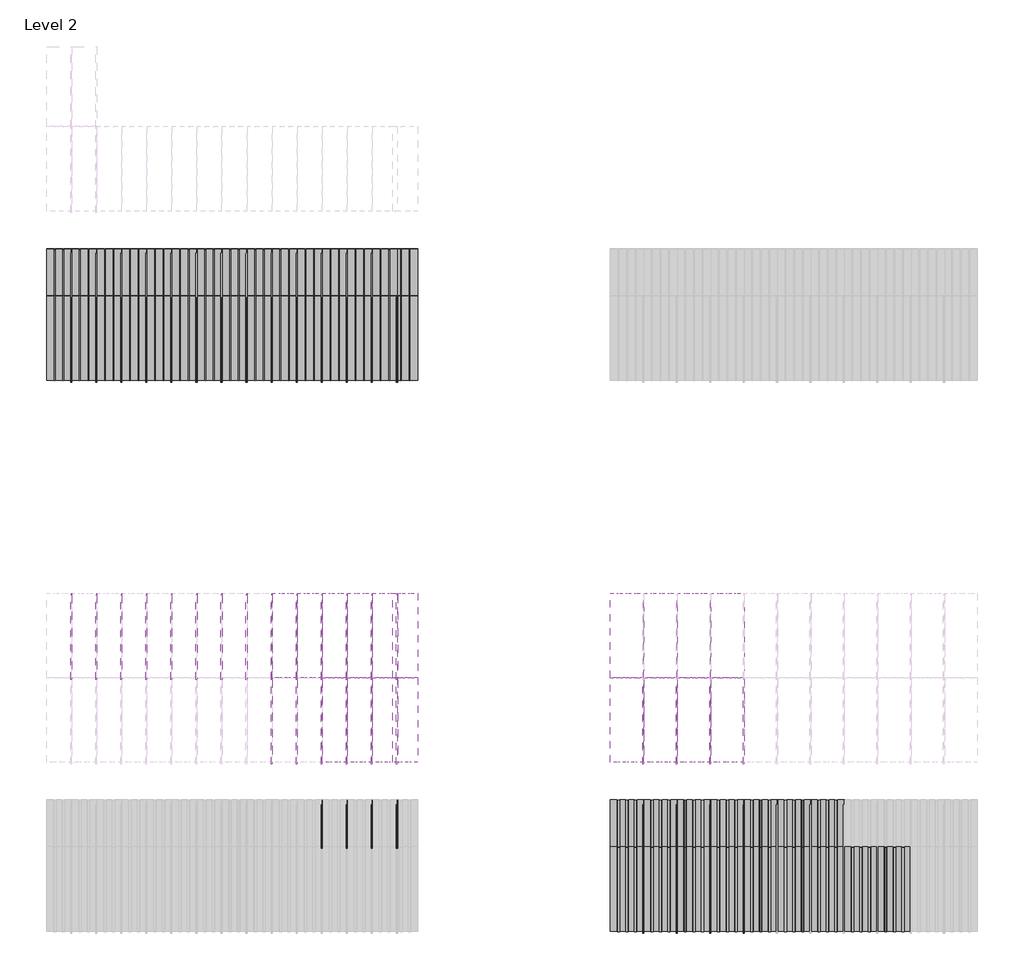
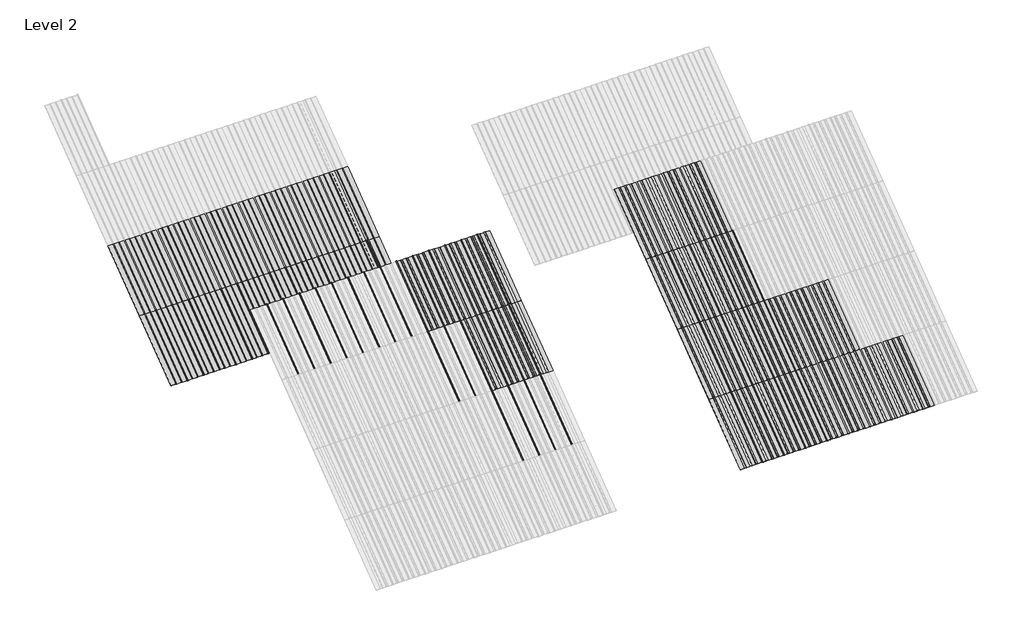
# One storey, part 44 of 177: 64 plates, 50 members.
"""IFC4 building model written with IfcOpenShell, lengths in millimetres."""

import ifcopenshell
import ifcopenshell.guid

model = None  # the IFC model being written
_history = None  # IfcOwnerHistory: only IFC2X3 demands one
_inside = {}  # id of a spatial element -> (the spatial element, [elements in it])
_under = {}  # id of a project, library or spatial element -> (it, [spatial elements below it])
_declared = {}  # id of a project -> (the project, [libraries it declares])
_typed = {}  # id of a type object -> (the type object, [elements of that type])
_made_of = {}  # id of a material, layer set ... -> (it, [elements and type objects made of it])


def new_model(schema):
    """Start an empty IFC model of exactly this schema.

    Asked for "IFC4X3", IfcOpenShell would pick the latest addendum, in which some entities
    have other attributes; the version numbers below select the first issue.
    IFC2X3 requires an IfcOwnerHistory on every rooted entity: one is made here for all.
    """
    global model, _history
    if schema == "IFC4X3":
        model = ifcopenshell.file(schema_version=(4, 3, 0, 0))
    else:
        model = ifcopenshell.file(schema=schema)
    _inside.clear()
    _under.clear()
    _declared.clear()
    _typed.clear()
    _made_of.clear()
    _history = None
    if model.schema == "IFC2X3":
        org = make("IfcOrganization", Name="unknown")
        user = make(
            "IfcPersonAndOrganization",
            ThePerson=make("IfcPerson", FamilyName="unknown"),
            TheOrganization=org,
        )
        app = make(
            "IfcApplication",
            ApplicationDeveloper=org,
            Version="unknown",
            ApplicationFullName="unknown",
            ApplicationIdentifier="unknown",
        )
        _history = make(
            "IfcOwnerHistory",
            OwningUser=user,
            OwningApplication=app,
            ChangeAction="ADDED",
            CreationDate=0,
        )
    return model


def make(cls, **values):
    """One entity of the class cls with the attributes given. An attribute that is None is left unset."""
    return model.create_entity(
        cls, **{name: value for name, value in values.items() if value is not None}
    )


def rooted(cls, **values):
    """An entity with a GlobalId (a new one), such as an element, a storey or a relation."""
    return make(cls, GlobalId=ifcopenshell.guid.new(), OwnerHistory=_history, **values)


def si_unit(unit_type, name, prefix=None):
    """IfcSIUnit, for example si_unit("LENGTHUNIT", "METRE", prefix="MILLI")."""
    return make("IfcSIUnit", UnitType=unit_type, Prefix=prefix, Name=name)


def assignment(units):
    """IfcUnitAssignment: the units of a project."""
    return None if units is None else make("IfcUnitAssignment", Units=units)


def point(xyz):
    """IfcCartesianPoint."""
    return None if xyz is None else make("IfcCartesianPoint", Coordinates=xyz)


def direction(xyz):
    """IfcDirection."""
    return None if xyz is None else make("IfcDirection", DirectionRatios=xyz)


def frame(location, z_axis=None, x_axis=None):
    """IfcAxis2Placement3D, a coordinate frame: its origin and axes. An axis left out is left unset."""
    return make(
        "IfcAxis2Placement3D",
        Location=point(location),
        Axis=direction(z_axis),
        RefDirection=direction(x_axis),
    )


def frame_2d(location, x_axis=None):
    """IfcAxis2Placement2D, a coordinate frame in the plane: its origin and x axis."""
    return make(
        "IfcAxis2Placement2D", Location=point(location), RefDirection=direction(x_axis)
    )


def origin():
    """The frame at (0, 0, 0) with its axes left unset."""
    return frame((0.0, 0.0, 0.0))


def origin_with_axes():
    """The frame at (0, 0, 0) with the z axis (0, 0, 1) and the x axis (1, 0, 0) written out."""
    return frame((0.0, 0.0, 0.0), z_axis=(0.0, 0.0, 1.0), x_axis=(1.0, 0.0, 0.0))


def place(relative_to, where):
    """IfcLocalPlacement: puts the frame where relative to a parent placement (None: the world)."""
    return make(
        "IfcLocalPlacement", PlacementRelTo=relative_to, RelativePlacement=where
    )


def context(
    kind, dimensions, precision=None, world=None, true_north=None, identifier=None
):
    """IfcGeometricRepresentationContext, for example the 3D "Model" context."""
    return make(
        "IfcGeometricRepresentationContext",
        ContextIdentifier=identifier,
        ContextType=kind,
        CoordinateSpaceDimension=dimensions,
        Precision=precision,
        WorldCoordinateSystem=world,
        TrueNorth=true_north,
    )


def project(units=None, contexts=None):
    """IfcProject with its units and contexts."""
    return rooted(
        "IfcProject",
        Name="project",
        RepresentationContexts=contexts,
        UnitsInContext=assignment(units),
    )


def spatial(cls, under=None, at=None, **own):
    """A site, building, storey or space (cls), placed at a placement, below another one or the project."""
    s = rooted(cls, ObjectPlacement=at, **own)
    if under is not None:
        _under.setdefault(under.id(), (under, []))[1].append(s)
    return s


def polyline(points):
    """IfcPolyline through the points."""
    return make("IfcPolyline", Points=[point(p) for p in points])


def circle_curve(where, radius):
    """IfcCircle in the frame where."""
    return make("IfcCircle", Position=where, Radius=radius)


def trimmed(basis, trim1, trim2, sense, master):
    """IfcTrimmedCurve: the piece of a basis curve between two trims."""
    return make(
        "IfcTrimmedCurve",
        BasisCurve=basis,
        Trim1=trim1,
        Trim2=trim2,
        SenseAgreement=sense,
        MasterRepresentation=master,
    )


def segment(curve, same_sense, transition):
    """IfcCompositeCurveSegment."""
    return make(
        "IfcCompositeCurveSegment",
        Transition=transition,
        SameSense=same_sense,
        ParentCurve=curve,
    )


def composite_curve(segments, self_intersect=None):
    """IfcCompositeCurve: segments joined end to end."""
    return make("IfcCompositeCurve", Segments=segments, SelfIntersect=self_intersect)


def outline(outer, holes=None, kind="AREA"):
    """IfcArbitraryClosedProfileDef: a profile drawn as a closed curve; with holes, ...WithVoids."""
    if holes is None:
        return make("IfcArbitraryClosedProfileDef", ProfileType=kind, OuterCurve=outer)
    return make(
        "IfcArbitraryProfileDefWithVoids",
        ProfileType=kind,
        OuterCurve=outer,
        InnerCurves=holes,
    )


def extrude(swept, where, along, depth):
    """IfcExtrudedAreaSolid: the profile swept, set in the frame where, extruded along a direction by depth."""
    return make(
        "IfcExtrudedAreaSolid",
        SweptArea=swept,
        Position=where,
        ExtrudedDirection=direction(along),
        Depth=depth,
    )


def shape(context_of_items, identifier, shape_type, items):
    """IfcShapeRepresentation: the items that make up one representation, for example the "Body"."""
    return make(
        "IfcShapeRepresentation",
        ContextOfItems=context_of_items,
        RepresentationIdentifier=identifier,
        RepresentationType=shape_type,
        Items=items,
    )


def source(mapping_origin, context_of_items, identifier, shape_type, items):
    """IfcRepresentationMap: a shape defined once, which mapped items show again and again."""
    return make(
        "IfcRepresentationMap",
        MappingOrigin=mapping_origin,
        MappedRepresentation=shape(context_of_items, identifier, shape_type, items),
    )


def transform(
    local_origin,
    x_axis=None,
    y_axis=None,
    z_axis=None,
    scale=None,
    scale2=None,
    scale3=None,
    uniform=True,
):
    """IfcCartesianTransformationOperator3D, or its non-uniform kind. x_axis, y_axis, z_axis: its Axis1, 2, 3."""
    if uniform:
        return make(
            "IfcCartesianTransformationOperator3D",
            Axis1=direction(x_axis),
            Axis2=direction(y_axis),
            LocalOrigin=point(local_origin),
            Scale=scale,
            Axis3=direction(z_axis),
        )
    return make(
        "IfcCartesianTransformationOperator3DnonUniform",
        Axis1=direction(x_axis),
        Axis2=direction(y_axis),
        LocalOrigin=point(local_origin),
        Scale=scale,
        Axis3=direction(z_axis),
        Scale2=scale2,
        Scale3=scale3,
    )


def mapped(mapping_source, mapping_target):
    """IfcMappedItem: shows the shape of a source again, moved by a transform."""
    return make(
        "IfcMappedItem", MappingSource=mapping_source, MappingTarget=mapping_target
    )


def made_of(thing, what):
    """Note that an element or type object is made of a material, layer set ...; save() writes the relation."""
    if what is not None:
        _made_of.setdefault(what.id(), (what, []))[1].append(thing)
    return thing


def element(
    cls,
    number,
    at=None,
    inside=None,
    cuts=None,
    type_object=None,
    material=None,
    context=None,
    identifier="Body",
    shape_type=None,
    held_by="IfcProductDefinitionShape",
    body=None,
    shapes=None,
    **own,
):
    """One element of the class cls, such as IfcWall. Its Tag is "e" and its number.

    at: its placement. inside: the storey or other place that contains it. cuts: it is an
    opening in that element (IfcRelVoidsElement). A single representation is given by context,
    identifier, shape_type and body (its items); several are given by shapes. held_by: the class
    of the entity that holds the representations. save() writes the other relations.
    """
    e = rooted(cls, Tag="e%d" % number, ObjectPlacement=at, **own)
    if body is not None:
        shapes = [shape(context, identifier, shape_type, body)]
    if shapes is not None:
        e.Representation = make(held_by, Representations=shapes)
    if inside is not None:
        _inside.setdefault(inside.id(), (inside, []))[1].append(e)
    if cuts is not None:
        rooted(
            "IfcRelVoidsElement", RelatingBuildingElement=cuts, RelatedOpeningElement=e
        )
    if type_object is not None:
        _typed.setdefault(type_object.id(), (type_object, []))[1].append(e)
    return made_of(e, material)


def aggregate(whole, parts):
    """IfcRelAggregates: a whole, such as a stair, and the parts it consists of."""
    return rooted("IfcRelAggregates", RelatingObject=whole, RelatedObjects=parts)


def save(model, path):
    """Write the relations noted so far, then the file.

    IfcRelAggregates (storeys below a building ...), IfcRelContainedInSpatialStructure (elements
    in a storey), IfcRelDefinesByType, IfcRelAssociatesMaterial and IfcRelDeclares: one each for
    every whole, place, type object, material and project.
    """
    for whole, parts in _under.values():
        aggregate(whole, parts)
    for where, things in _inside.values():
        rooted(
            "IfcRelContainedInSpatialStructure",
            RelatedElements=things,
            RelatingStructure=where,
        )
    for kind, things in _typed.values():
        rooted("IfcRelDefinesByType", RelatedObjects=things, RelatingType=kind)
    for what, things in _made_of.values():
        rooted("IfcRelAssociatesMaterial", RelatedObjects=things, RelatingMaterial=what)
    for by, libraries in _declared.values():
        rooted("IfcRelDeclares", RelatingContext=by, RelatedDefinitions=libraries)
    model.write(path)


def rectangular_mullion_59d29c64(model_context):
    return source(origin(), model_context, "Body", "SweptSolid", [
        extrude(outline(composite_curve([segment(polyline([(-1.651, -33.918525), (-1.651, 0.396875), (1.778, 0.396875), (1.778, -36.458525)]), True, "CONTINUOUS"), segment(trimmed(circle_curve(frame_2d((-0.762, -36.458525)), 2.54), [point((1.778, -36.458525))], [point((-0.762, -38.998525))], False, "CARTESIAN"), True, "CONTINUOUS"), segment(polyline([(-0.762, -38.998525), (-10.16, -38.998525)]), True, "CONTINUOUS"), segment(trimmed(circle_curve(frame_2d((-10.16, -36.458525)), 2.54), [point((-10.16, -38.998525))], [point((-10.16, -33.918525))], False, "CARTESIAN"), True, "CONTINUOUS"), segment(polyline([(-10.16, -33.918525), (-1.651, -33.918525)]), True, "CONTINUOUS")], self_intersect=False)), frame((0.0, 0.0, -1285.875), z_axis=(0.0, 0.0, 1.0), x_axis=(1.0, 0.0, 0.0)), (0.0, 0.0, 1.0), 1285.875),
    ])


def plate_0_032_aluminium_1d77b2c9(model_context):
    return source(origin(), model_context, "Body", "SweptSolid", [
        extrude(outline(polyline([(-70.35546, 0.8128), (-66.80708, -2.73558), (-37.26688, -2.73558), (-33.7185, 0.8128), (33.7185, 0.8128), (37.26688, -2.73558), (66.80708, -2.73558), (70.35546, 0.8128), (152.4, 0.8128), (152.4, 0.0), (70.419167, 0.0), (66.870787, -3.54838), (37.203173, -3.54838), (33.654793, 0.0), (-33.654793, 0.0), (-37.203173, -3.54838), (-66.870787, -3.54838), (-70.419167, 0.0), (-152.4, 0.0), (-152.4, 0.8128), (-70.35546, 0.8128)])), origin_with_axes(), (0.0, 0.0, 1.0), 1285.875),
    ])


def plate_0_032_aluminium_91d3225e(model_context):
    return source(origin(), model_context, "Body", "SweptSolid", [
        extrude(outline(polyline([(-123.9800294, 0.8128), (-120.4316494, -2.73558), (-90.8914494, -2.73558), (-87.3430694, 0.8128), (-18.31848, 0.8128), (-14.7701, -2.73558), (14.7701, -2.73558), (18.31848, 0.8128), (85.75548, 0.8128), (89.30386, -2.73558), (118.84406, -2.73558), (122.39244, 0.8128), (203.2, 0.8128), (203.2, 0.0), (122.456147, 0.0), (118.907767, -3.54838), (89.240153, -3.54838), (85.691773, 0.0), (18.382187, 0.0), (14.833807, -3.54838), (-14.833807, -3.54838), (-18.382187, 0.0), (-87.2793624, 0.0), (-90.8277424, -3.54838), (-120.4953564, -3.54838), (-124.0437364, 0.0), (-203.2, 0.0), (-203.2, 0.8128), (-123.9800294, 0.8128)])), origin_with_axes(), (0.0, 0.0, 1.0), 1285.875),
    ])


def plate_0_032_aluminium_90081244(model_context):
    return source(origin(), model_context, "Body", "SweptSolid", [
        extrude(outline(composite_curve([segment(polyline([(-57.57418, 0.8128), (-57.57418, 0.0)]), True, "CONTINUOUS"), segment(trimmed(circle_curve(frame_2d((-52.03698, 0.0)), 5.5372), [point((-57.57418, 0.0))], [point((-46.49978, 0.0))], True, "CARTESIAN"), True, "CONTINUOUS"), segment(polyline([(-46.49978, 0.0), (-46.49978, 0.8128), (46.49978, 0.8128), (46.49978, 0.0)]), True, "CONTINUOUS"), segment(trimmed(circle_curve(frame_2d((52.03698, 0.0)), 5.5372), [point((46.49978, 0.0))], [point((57.57418, 0.0))], True, "CARTESIAN"), True, "CONTINUOUS"), segment(polyline([(57.57418, 0.0), (57.57418, 0.8128), (152.4, 0.8128), (152.4, 0.0), (58.38698, 0.0)]), True, "CONTINUOUS"), segment(trimmed(circle_curve(frame_2d((52.03698, 0.0)), 6.35), [point((58.38698, 0.0))], [point((45.68698, 0.0))], False, "CARTESIAN"), True, "CONTINUOUS"), segment(polyline([(45.68698, 0.0), (-45.68698, 0.0)]), True, "CONTINUOUS"), segment(trimmed(circle_curve(frame_2d((-52.03698, 0.0)), 6.35), [point((-45.68698, 0.0))], [point((-58.38698, 0.0))], False, "CARTESIAN"), True, "CONTINUOUS"), segment(polyline([(-58.38698, 0.0), (-152.4, 0.0), (-152.4, 0.8128), (-57.57418, 0.8128)]), True, "CONTINUOUS")], self_intersect=False)), origin_with_axes(), (0.0, 0.0, 1.0), 1285.875),
    ])


model = new_model("IFC4")

# Units and contexts
model_context = context("Model", 3, world=origin())
ifc_project = project(units=[si_unit("LENGTHUNIT", "METRE", prefix="MILLI")], contexts=[model_context])

# Site, building, storey
site = spatial("IfcSite", under=ifc_project)
building = spatial("IfcBuilding", under=site)
storey = spatial("IfcBuildingStorey", under=building, Name="Level 2", Elevation=3048.0)

# Members
placement = place(None, origin())
rectangular_mullion_shape = rectangular_mullion_59d29c64(model_context)
element("IfcMember", 1, ObjectType="Rectangular Mullion", at=placement, inside=storey, context=model_context, shape_type="MappedRepresentation", body=[
    mapped(rectangular_mullion_shape, transform((131647.2738425, 52374.2083739, 6134.1), x_axis=(1.0, 0.0, 0.0), y_axis=(0.0, 0.5999999999999946, -0.800000000000004), z_axis=(0.0, 0.800000000000004, 0.5999999999999946))),
])
element("IfcMember", 2, ObjectType="Rectangular Mullion", at=placement, inside=storey, context=model_context, shape_type="MappedRepresentation", body=[
    mapped(rectangular_mullion_shape, transform((131952.0738425, 52374.2083739, 6134.1), x_axis=(1.0, 0.0, 0.0), y_axis=(0.0, 0.5999999999999946, -0.800000000000004), z_axis=(0.0, 0.800000000000004, 0.5999999999999946))),
])
element("IfcMember", 3, ObjectType="Rectangular Mullion", at=placement, inside=storey, context=model_context, shape_type="MappedRepresentation", body=[
    mapped(rectangular_mullion_shape, transform((132256.8738425, 52374.2083739, 6134.1), x_axis=(1.0, 0.0, 0.0), y_axis=(0.0, 0.5999999999999946, -0.800000000000004), z_axis=(0.0, 0.800000000000004, 0.5999999999999946))),
])
element("IfcMember", 4, ObjectType="Rectangular Mullion", at=placement, inside=storey, context=model_context, shape_type="MappedRepresentation", body=[
    mapped(rectangular_mullion_shape, transform((132561.6738425, 52374.2083739, 6134.1), x_axis=(1.0, 0.0, 0.0), y_axis=(0.0, 0.5999999999999946, -0.800000000000004), z_axis=(0.0, 0.800000000000004, 0.5999999999999946))),
])
element("IfcMember", 5, ObjectType="Rectangular Mullion", at=placement, inside=storey, context=model_context, shape_type="MappedRepresentation", body=[
    mapped(rectangular_mullion_shape, transform((132866.4738425, 52374.2083739, 6134.1), x_axis=(1.0, 0.0, 0.0), y_axis=(0.0, 0.5999999999999946, -0.800000000000004), z_axis=(0.0, 0.800000000000004, 0.5999999999999946))),
])
element("IfcMember", 6, ObjectType="Rectangular Mullion", at=placement, inside=storey, context=model_context, shape_type="MappedRepresentation", body=[
    mapped(rectangular_mullion_shape, transform((133171.2738425, 52374.2083739, 6134.1), x_axis=(1.0, 0.0, 0.0), y_axis=(0.0, 0.5999999999999946, -0.800000000000004), z_axis=(0.0, 0.800000000000004, 0.5999999999999946))),
])
element("IfcMember", 7, ObjectType="Rectangular Mullion", at=placement, inside=storey, context=model_context, shape_type="MappedRepresentation", body=[
    mapped(rectangular_mullion_shape, transform((133476.0738425, 52374.2083739, 6134.1), x_axis=(1.0, 0.0, 0.0), y_axis=(0.0, 0.5999999999999946, -0.800000000000004), z_axis=(0.0, 0.800000000000004, 0.5999999999999946))),
])
element("IfcMember", 8, ObjectType="Rectangular Mullion", at=placement, inside=storey, context=model_context, shape_type="MappedRepresentation", body=[
    mapped(rectangular_mullion_shape, transform((133780.8738425, 52374.2083739, 6134.1), x_axis=(1.0, 0.0, 0.0), y_axis=(0.0, 0.5999999999999946, -0.800000000000004), z_axis=(0.0, 0.800000000000004, 0.5999999999999946))),
])
element("IfcMember", 9, ObjectType="Rectangular Mullion", at=placement, inside=storey, context=model_context, shape_type="MappedRepresentation", body=[
    mapped(rectangular_mullion_shape, transform((134085.6738425, 52374.2083739, 6134.1), x_axis=(1.0, 0.0, 0.0), y_axis=(0.0, 0.5999999999999946, -0.800000000000004), z_axis=(0.0, 0.800000000000004, 0.5999999999999946))),
])
element("IfcMember", 10, ObjectType="Rectangular Mullion", at=placement, inside=storey, context=model_context, shape_type="MappedRepresentation", body=[
    mapped(rectangular_mullion_shape, transform((134390.4738425, 52374.2083739, 6134.1), x_axis=(1.0, 0.0, 0.0), y_axis=(0.0, 0.5999999999999946, -0.800000000000004), z_axis=(0.0, 0.800000000000004, 0.5999999999999946))),
])
element("IfcMember", 11, ObjectType="Rectangular Mullion", at=placement, inside=storey, context=model_context, shape_type="MappedRepresentation", body=[
    mapped(rectangular_mullion_shape, transform((134695.2738425, 52374.2083739, 6134.1), x_axis=(1.0, 0.0, 0.0), y_axis=(0.0, 0.5999999999999946, -0.800000000000004), z_axis=(0.0, 0.800000000000004, 0.5999999999999946))),
])
element("IfcMember", 12, ObjectType="Rectangular Mullion", at=placement, inside=storey, context=model_context, shape_type="MappedRepresentation", body=[
    mapped(rectangular_mullion_shape, transform((135000.0738425, 52374.2083739, 6134.1), x_axis=(1.0, 0.0, 0.0), y_axis=(0.0, 0.5999999999999946, -0.800000000000004), z_axis=(0.0, 0.800000000000004, 0.5999999999999946))),
])
element("IfcMember", 13, ObjectType="Rectangular Mullion", at=placement, inside=storey, context=model_context, shape_type="MappedRepresentation", body=[
    mapped(rectangular_mullion_shape, transform((135304.8738425, 52374.2083739, 6134.1), x_axis=(1.0, 0.0, 0.0), y_axis=(0.0, 0.5999999999999946, -0.800000000000004), z_axis=(0.0, 0.800000000000004, 0.5999999999999946))),
])
element("IfcMember", 14, ObjectType="Rectangular Mullion", at=placement, inside=storey, context=model_context, shape_type="MappedRepresentation", body=[
    mapped(rectangular_mullion_shape, transform((135609.6738425, 52374.2083739, 6134.1), x_axis=(1.0, 0.0, 0.0), y_axis=(0.0, 0.5999999999999946, -0.800000000000004), z_axis=(0.0, 0.800000000000004, 0.5999999999999946))),
])
element("IfcMember", 15, ObjectType="Rectangular Mullion", at=placement, inside=storey, context=model_context, shape_type="MappedRepresentation", body=[
    mapped(rectangular_mullion_shape, transform((138606.8738425, 49288.1083739, 3819.525), x_axis=(1.0, 0.0, 0.0), y_axis=(0.0, 0.5999999999999939, -0.8000000000000047), z_axis=(0.0, 0.8000000000000047, 0.5999999999999939))),
])
element("IfcMember", 16, ObjectType="Rectangular Mullion", at=placement, inside=storey, context=model_context, shape_type="MappedRepresentation", body=[
    mapped(rectangular_mullion_shape, transform((139013.2738425, 49288.1083739, 3819.525), x_axis=(1.0, 0.0, 0.0), y_axis=(0.0, 0.5999999999999939, -0.8000000000000047), z_axis=(0.0, 0.8000000000000047, 0.5999999999999939))),
])
element("IfcMember", 17, ObjectType="Rectangular Mullion", at=placement, inside=storey, context=model_context, shape_type="MappedRepresentation", body=[
    mapped(rectangular_mullion_shape, transform((139419.6738425, 49288.1083739, 3819.525), x_axis=(1.0, 0.0, 0.0), y_axis=(0.0, 0.5999999999999939, -0.8000000000000047), z_axis=(0.0, 0.8000000000000047, 0.5999999999999939))),
])
element("IfcMember", 18, ObjectType="Rectangular Mullion", at=placement, inside=storey, context=model_context, shape_type="MappedRepresentation", body=[
    mapped(rectangular_mullion_shape, transform((139826.0738425, 49288.1083739, 3819.525), x_axis=(1.0, 0.0, 0.0), y_axis=(0.0, 0.5999999999999939, -0.8000000000000047), z_axis=(0.0, 0.8000000000000047, 0.5999999999999939))),
])
element("IfcMember", 19, ObjectType="Rectangular Mullion", at=placement, inside=storey, context=model_context, shape_type="MappedRepresentation", body=[
    mapped(rectangular_mullion_shape, transform((131647.2738425, 55993.2321239, 3819.525), x_axis=(1.0, 0.0, 0.0), y_axis=(0.0, 0.5999999999999939, -0.8000000000000047), z_axis=(0.0, 0.8000000000000047, 0.5999999999999939))),
])
element("IfcMember", 20, ObjectType="Rectangular Mullion", at=placement, inside=storey, context=model_context, shape_type="MappedRepresentation", body=[
    mapped(rectangular_mullion_shape, transform((131952.0738425, 55993.2321239, 3819.525), x_axis=(1.0, 0.0, 0.0), y_axis=(0.0, 0.5999999999999939, -0.8000000000000047), z_axis=(0.0, 0.8000000000000047, 0.5999999999999939))),
])
element("IfcMember", 21, ObjectType="Rectangular Mullion", at=placement, inside=storey, context=model_context, shape_type="MappedRepresentation", body=[
    mapped(rectangular_mullion_shape, transform((132256.8738425, 55993.2321239, 3819.525), x_axis=(1.0, 0.0, 0.0), y_axis=(0.0, 0.5999999999999939, -0.8000000000000047), z_axis=(0.0, 0.8000000000000047, 0.5999999999999939))),
])
element("IfcMember", 22, ObjectType="Rectangular Mullion", at=placement, inside=storey, context=model_context, shape_type="MappedRepresentation", body=[
    mapped(rectangular_mullion_shape, transform((132561.6738425, 55993.2321239, 3819.525), x_axis=(1.0, 0.0, 0.0), y_axis=(0.0, 0.5999999999999939, -0.8000000000000047), z_axis=(0.0, 0.8000000000000047, 0.5999999999999939))),
])
element("IfcMember", 23, ObjectType="Rectangular Mullion", at=placement, inside=storey, context=model_context, shape_type="MappedRepresentation", body=[
    mapped(rectangular_mullion_shape, transform((132866.4738425, 55993.2321239, 3819.525), x_axis=(1.0, 0.0, 0.0), y_axis=(0.0, 0.5999999999999939, -0.8000000000000047), z_axis=(0.0, 0.8000000000000047, 0.5999999999999939))),
])
element("IfcMember", 24, ObjectType="Rectangular Mullion", at=placement, inside=storey, context=model_context, shape_type="MappedRepresentation", body=[
    mapped(rectangular_mullion_shape, transform((133171.2738425, 55993.2321239, 3819.525), x_axis=(1.0, 0.0, 0.0), y_axis=(0.0, 0.5999999999999939, -0.8000000000000047), z_axis=(0.0, 0.8000000000000047, 0.5999999999999939))),
])
element("IfcMember", 25, ObjectType="Rectangular Mullion", at=placement, inside=storey, context=model_context, shape_type="MappedRepresentation", body=[
    mapped(rectangular_mullion_shape, transform((133476.0738425, 55993.2321239, 3819.525), x_axis=(1.0, 0.0, 0.0), y_axis=(0.0, 0.5999999999999939, -0.8000000000000047), z_axis=(0.0, 0.8000000000000047, 0.5999999999999939))),
])
element("IfcMember", 26, ObjectType="Rectangular Mullion", at=placement, inside=storey, context=model_context, shape_type="MappedRepresentation", body=[
    mapped(rectangular_mullion_shape, transform((133780.8738425, 55993.2321239, 3819.525), x_axis=(1.0, 0.0, 0.0), y_axis=(0.0, 0.5999999999999939, -0.8000000000000047), z_axis=(0.0, 0.8000000000000047, 0.5999999999999939))),
])
element("IfcMember", 27, ObjectType="Rectangular Mullion", at=placement, inside=storey, context=model_context, shape_type="MappedRepresentation", body=[
    mapped(rectangular_mullion_shape, transform((134085.6738425, 55993.2321239, 3819.525), x_axis=(1.0, 0.0, 0.0), y_axis=(0.0, 0.5999999999999939, -0.8000000000000047), z_axis=(0.0, 0.8000000000000047, 0.5999999999999939))),
])
element("IfcMember", 28, ObjectType="Rectangular Mullion", at=placement, inside=storey, context=model_context, shape_type="MappedRepresentation", body=[
    mapped(rectangular_mullion_shape, transform((134390.4738425, 55993.2321239, 3819.525), x_axis=(1.0, 0.0, 0.0), y_axis=(0.0, 0.5999999999999939, -0.8000000000000047), z_axis=(0.0, 0.8000000000000047, 0.5999999999999939))),
])
element("IfcMember", 29, ObjectType="Rectangular Mullion", at=placement, inside=storey, context=model_context, shape_type="MappedRepresentation", body=[
    mapped(rectangular_mullion_shape, transform((134695.2738425, 55993.2321239, 3819.525), x_axis=(1.0, 0.0, 0.0), y_axis=(0.0, 0.5999999999999939, -0.8000000000000047), z_axis=(0.0, 0.8000000000000047, 0.5999999999999939))),
])
element("IfcMember", 30, ObjectType="Rectangular Mullion", at=placement, inside=storey, context=model_context, shape_type="MappedRepresentation", body=[
    mapped(rectangular_mullion_shape, transform((135000.0738425, 55993.2321239, 3819.525), x_axis=(1.0, 0.0, 0.0), y_axis=(0.0, 0.5999999999999939, -0.8000000000000047), z_axis=(0.0, 0.8000000000000047, 0.5999999999999939))),
])
element("IfcMember", 31, ObjectType="Rectangular Mullion", at=placement, inside=storey, context=model_context, shape_type="MappedRepresentation", body=[
    mapped(rectangular_mullion_shape, transform((135304.8738425, 55993.2321239, 3819.525), x_axis=(1.0, 0.0, 0.0), y_axis=(0.0, 0.5999999999999939, -0.8000000000000047), z_axis=(0.0, 0.8000000000000047, 0.5999999999999939))),
])
element("IfcMember", 32, ObjectType="Rectangular Mullion", at=placement, inside=storey, context=model_context, shape_type="MappedRepresentation", body=[
    mapped(rectangular_mullion_shape, transform((135609.6738425, 55993.2321239, 3819.525), x_axis=(1.0, 0.0, 0.0), y_axis=(0.0, 0.5999999999999939, -0.8000000000000047), z_axis=(0.0, 0.8000000000000047, 0.5999999999999939))),
])
element("IfcMember", 33, ObjectType="Rectangular Mullion", at=placement, inside=storey, context=model_context, shape_type="MappedRepresentation", body=[
    mapped(rectangular_mullion_shape, transform((134085.6738425, 51345.5083739, 5362.575), x_axis=(1.0, 0.0, 0.0), y_axis=(0.0, 0.5999999999999941, -0.8000000000000045), z_axis=(0.0, 0.8000000000000044, 0.599999999999994))),
])
element("IfcMember", 34, ObjectType="Rectangular Mullion", at=placement, inside=storey, context=model_context, shape_type="MappedRepresentation", body=[
    mapped(rectangular_mullion_shape, transform((134390.4738425, 51345.5083739, 5362.575), x_axis=(1.0, 0.0, 0.0), y_axis=(0.0, 0.5999999999999941, -0.8000000000000045), z_axis=(0.0, 0.8000000000000044, 0.599999999999994))),
])
element("IfcMember", 35, ObjectType="Rectangular Mullion", at=placement, inside=storey, context=model_context, shape_type="MappedRepresentation", body=[
    mapped(rectangular_mullion_shape, transform((138606.8738425, 50316.8083739, 4591.05), x_axis=(1.0, 0.0, 0.0), y_axis=(0.0, 0.5999999999999952, -0.8000000000000037), z_axis=(0.0, 0.8000000000000037, 0.5999999999999952))),
])
element("IfcMember", 36, ObjectType="Rectangular Mullion", at=placement, inside=storey, context=model_context, shape_type="MappedRepresentation", body=[
    mapped(rectangular_mullion_shape, transform((139013.2738425, 50316.8083739, 4591.05), x_axis=(1.0, 0.0, 0.0), y_axis=(0.0, 0.5999999999999952, -0.8000000000000037), z_axis=(0.0, 0.8000000000000037, 0.5999999999999952))),
])
element("IfcMember", 37, ObjectType="Rectangular Mullion", at=placement, inside=storey, context=model_context, shape_type="MappedRepresentation", body=[
    mapped(rectangular_mullion_shape, transform((138606.8738425, 51345.5083739, 5362.575), x_axis=(1.0, 0.0, 0.0), y_axis=(0.0, 0.5999999999999941, -0.8000000000000045), z_axis=(0.0, 0.8000000000000044, 0.599999999999994))),
])
element("IfcMember", 38, ObjectType="Rectangular Mullion", at=placement, inside=storey, context=model_context, shape_type="MappedRepresentation", body=[
    mapped(rectangular_mullion_shape, transform((139013.2738425, 51345.5083739, 5362.575), x_axis=(1.0, 0.0, 0.0), y_axis=(0.0, 0.5999999999999941, -0.8000000000000045), z_axis=(0.0, 0.8000000000000044, 0.599999999999994))),
])
element("IfcMember", 39, ObjectType="Rectangular Mullion", at=placement, inside=storey, context=model_context, shape_type="MappedRepresentation", body=[
    mapped(rectangular_mullion_shape, transform((139419.6738425, 50316.8083739, 4591.05), x_axis=(1.0, 0.0, 0.0), y_axis=(0.0, 0.5999999999999952, -0.8000000000000037), z_axis=(0.0, 0.8000000000000037, 0.5999999999999952))),
])
element("IfcMember", 40, ObjectType="Rectangular Mullion", at=placement, inside=storey, context=model_context, shape_type="MappedRepresentation", body=[
    mapped(rectangular_mullion_shape, transform((139826.0738425, 50316.8083739, 4591.05), x_axis=(1.0, 0.0, 0.0), y_axis=(0.0, 0.5999999999999952, -0.8000000000000037), z_axis=(0.0, 0.8000000000000037, 0.5999999999999952))),
])
element("IfcMember", 41, ObjectType="Rectangular Mullion", at=placement, inside=storey, context=model_context, shape_type="MappedRepresentation", body=[
    mapped(rectangular_mullion_shape, transform((139419.6738425, 51345.5083739, 5362.575), x_axis=(1.0, 0.0, 0.0), y_axis=(0.0, 0.5999999999999941, -0.8000000000000045), z_axis=(0.0, 0.8000000000000044, 0.599999999999994))),
])
element("IfcMember", 42, ObjectType="Rectangular Mullion", at=placement, inside=storey, context=model_context, shape_type="MappedRepresentation", body=[
    mapped(rectangular_mullion_shape, transform((139826.0738425, 51345.5083739, 5362.575), x_axis=(1.0, 0.0, 0.0), y_axis=(0.0, 0.5999999999999941, -0.8000000000000045), z_axis=(0.0, 0.8000000000000044, 0.599999999999994))),
])
element("IfcMember", 43, ObjectType="Rectangular Mullion", at=placement, inside=storey, context=model_context, shape_type="MappedRepresentation", body=[
    mapped(rectangular_mullion_shape, transform((134695.2738425, 50316.8083739, 4591.05), x_axis=(1.0, 0.0, 0.0), y_axis=(0.0, 0.5999999999999952, -0.8000000000000037), z_axis=(0.0, 0.8000000000000037, 0.5999999999999952))),
])
element("IfcMember", 44, ObjectType="Rectangular Mullion", at=placement, inside=storey, context=model_context, shape_type="MappedRepresentation", body=[
    mapped(rectangular_mullion_shape, transform((135000.0738425, 50316.8083739, 4591.05), x_axis=(1.0, 0.0, 0.0), y_axis=(0.0, 0.5999999999999952, -0.8000000000000037), z_axis=(0.0, 0.8000000000000037, 0.5999999999999952))),
])
element("IfcMember", 45, ObjectType="Rectangular Mullion", at=placement, inside=storey, context=model_context, shape_type="MappedRepresentation", body=[
    mapped(rectangular_mullion_shape, transform((135304.8738425, 50316.8083739, 4591.05), x_axis=(1.0, 0.0, 0.0), y_axis=(0.0, 0.5999999999999952, -0.8000000000000037), z_axis=(0.0, 0.8000000000000037, 0.5999999999999952))),
])
element("IfcMember", 46, ObjectType="Rectangular Mullion", at=placement, inside=storey, context=model_context, shape_type="MappedRepresentation", body=[
    mapped(rectangular_mullion_shape, transform((135609.6738425, 50316.8083739, 4591.05), x_axis=(1.0, 0.0, 0.0), y_axis=(0.0, 0.5999999999999952, -0.8000000000000037), z_axis=(0.0, 0.8000000000000037, 0.5999999999999952))),
])
element("IfcMember", 47, ObjectType="Rectangular Mullion", at=placement, inside=storey, context=model_context, shape_type="MappedRepresentation", body=[
    mapped(rectangular_mullion_shape, transform((134695.2738425, 51345.5083739, 5362.575), x_axis=(1.0, 0.0, 0.0), y_axis=(0.0, 0.5999999999999941, -0.8000000000000045), z_axis=(0.0, 0.8000000000000044, 0.599999999999994))),
])
element("IfcMember", 48, ObjectType="Rectangular Mullion", at=placement, inside=storey, context=model_context, shape_type="MappedRepresentation", body=[
    mapped(rectangular_mullion_shape, transform((135000.0738425, 51345.5083739, 5362.575), x_axis=(1.0, 0.0, 0.0), y_axis=(0.0, 0.5999999999999941, -0.8000000000000045), z_axis=(0.0, 0.8000000000000044, 0.599999999999994))),
])
element("IfcMember", 49, ObjectType="Rectangular Mullion", at=placement, inside=storey, context=model_context, shape_type="MappedRepresentation", body=[
    mapped(rectangular_mullion_shape, transform((135304.8738425, 51345.5083739, 5362.575), x_axis=(1.0, 0.0, 0.0), y_axis=(0.0, 0.5999999999999941, -0.8000000000000045), z_axis=(0.0, 0.8000000000000044, 0.599999999999994))),
])
element("IfcMember", 50, ObjectType="Rectangular Mullion", at=placement, inside=storey, context=model_context, shape_type="MappedRepresentation", body=[
    mapped(rectangular_mullion_shape, transform((135609.6738425, 51345.5083739, 5362.575), x_axis=(1.0, 0.0, 0.0), y_axis=(0.0, 0.5999999999999941, -0.8000000000000045), z_axis=(0.0, 0.8000000000000044, 0.599999999999994))),
])

# Plates
plate_0_032_aluminium_shape = plate_0_032_aluminium_1d77b2c9(model_context)
element("IfcPlate", 51, ObjectType="24 Ga. Steel", at=placement, inside=storey, context=model_context, shape_type="MappedRepresentation", body=[
    mapped(plate_0_032_aluminium_shape, transform((134238.1373425, 51345.5083739, 5362.575), x_axis=(1.0, 0.0, 0.0), y_axis=(0.0, 0.5999999999999943, -0.8000000000000043), z_axis=(0.0, 0.8000000000000043, 0.5999999999999943))),
])
element("IfcPlate", 52, ObjectType="24 Ga. Steel", at=placement, inside=storey, context=model_context, shape_type="MappedRepresentation", body=[
    mapped(plate_0_032_aluminium_shape, transform((134542.9373425, 51345.5083739, 5362.575), x_axis=(1.0, 0.0, 0.0), y_axis=(0.0, 0.5999999999999943, -0.8000000000000043), z_axis=(0.0, 0.8000000000000043, 0.5999999999999943))),
])
element("IfcPlate", 53, ObjectType="24 Ga. Steel", at=placement, inside=storey, context=model_context, shape_type="MappedRepresentation", body=[
    mapped(plate_0_032_aluminium_shape, transform((134847.7373425, 50316.8083739, 4591.05), x_axis=(1.0, 0.0, 0.0), y_axis=(0.0, 0.5999999999999943, -0.8000000000000043), z_axis=(0.0, 0.8000000000000043, 0.5999999999999943))),
])
element("IfcPlate", 54, ObjectType="24 Ga. Steel", at=placement, inside=storey, context=model_context, shape_type="MappedRepresentation", body=[
    mapped(plate_0_032_aluminium_shape, transform((134847.7373425, 51345.5083739, 5362.575), x_axis=(1.0, 0.0, 0.0), y_axis=(0.0, 0.5999999999999943, -0.8000000000000043), z_axis=(0.0, 0.8000000000000043, 0.5999999999999943))),
])
element("IfcPlate", 55, ObjectType="24 Ga. Steel", at=placement, inside=storey, context=model_context, shape_type="MappedRepresentation", body=[
    mapped(plate_0_032_aluminium_shape, transform((135152.5373425, 50316.8083739, 4591.05), x_axis=(1.0, 0.0, 0.0), y_axis=(0.0, 0.5999999999999943, -0.8000000000000043), z_axis=(0.0, 0.8000000000000043, 0.5999999999999943))),
])
element("IfcPlate", 56, ObjectType="24 Ga. Steel", at=placement, inside=storey, context=model_context, shape_type="MappedRepresentation", body=[
    mapped(plate_0_032_aluminium_shape, transform((135152.5373425, 51345.5083739, 5362.575), x_axis=(1.0, 0.0, 0.0), y_axis=(0.0, 0.5999999999999943, -0.8000000000000043), z_axis=(0.0, 0.8000000000000043, 0.5999999999999943))),
])
element("IfcPlate", 57, ObjectType="24 Ga. Steel", at=placement, inside=storey, context=model_context, shape_type="MappedRepresentation", body=[
    mapped(plate_0_032_aluminium_shape, transform((135457.3373425, 50316.8083739, 4591.05), x_axis=(1.0, 0.0, 0.0), y_axis=(0.0, 0.5999999999999943, -0.8000000000000043), z_axis=(0.0, 0.8000000000000043, 0.5999999999999943))),
])
element("IfcPlate", 58, ObjectType="24 Ga. Steel", at=placement, inside=storey, context=model_context, shape_type="MappedRepresentation", body=[
    mapped(plate_0_032_aluminium_shape, transform((135457.3373425, 51345.5083739, 5362.575), x_axis=(1.0, 0.0, 0.0), y_axis=(0.0, 0.5999999999999943, -0.8000000000000043), z_axis=(0.0, 0.8000000000000043, 0.5999999999999943))),
])
element("IfcPlate", 59, ObjectType="24 Ga. Steel", at=placement, inside=storey, context=model_context, shape_type="MappedRepresentation", body=[
    mapped(plate_0_032_aluminium_shape, transform((135705.3683425, 50316.8083739, 4591.05), x_axis=(1.0, 0.0, 0.0), y_axis=(0.0, 0.5999999999999943, -0.8000000000000043), z_axis=(0.0, 0.8000000000000043, 0.5999999999999943))),
])
element("IfcPlate", 60, ObjectType="24 Ga. Steel", at=placement, inside=storey, context=model_context, shape_type="MappedRepresentation", body=[
    mapped(plate_0_032_aluminium_shape, transform((135705.3683425, 51345.5083739, 5362.575), x_axis=(1.0, 0.0, 0.0), y_axis=(0.0, 0.5999999999999943, -0.8000000000000043), z_axis=(0.0, 0.8000000000000043, 0.5999999999999943))),
])
plate_0_032_aluminium_2_shape = plate_0_032_aluminium_91d3225e(model_context)
element("IfcPlate", 61, ObjectType="24 Ga. Steel", at=placement, inside=storey, context=model_context, shape_type="MappedRepresentation", body=[
    mapped(plate_0_032_aluminium_2_shape, transform((138403.6738423, 48259.4083739, 3048.0), x_axis=(1.0, 0.0, 0.0), y_axis=(0.0, 0.5999999999999943, -0.8000000000000043), z_axis=(0.0, 0.8000000000000043, 0.5999999999999943))),
])
element("IfcPlate", 62, ObjectType="24 Ga. Steel", at=placement, inside=storey, context=model_context, shape_type="MappedRepresentation", body=[
    mapped(plate_0_032_aluminium_2_shape, transform((138403.6738423, 49288.1083739, 3819.525), x_axis=(1.0, 0.0, 0.0), y_axis=(0.0, 0.5999999999999943, -0.8000000000000043), z_axis=(0.0, 0.8000000000000043, 0.5999999999999943))),
])
element("IfcPlate", 63, ObjectType="24 Ga. Steel", at=placement, inside=storey, context=model_context, shape_type="MappedRepresentation", body=[
    mapped(plate_0_032_aluminium_2_shape, transform((138403.6738423, 50316.8083739, 4591.05), x_axis=(1.0, 0.0, 0.0), y_axis=(0.0, 0.5999999999999943, -0.8000000000000043), z_axis=(0.0, 0.8000000000000043, 0.5999999999999943))),
])
element("IfcPlate", 64, ObjectType="24 Ga. Steel", at=placement, inside=storey, context=model_context, shape_type="MappedRepresentation", body=[
    mapped(plate_0_032_aluminium_2_shape, transform((138403.6738423, 51345.5083739, 5362.575), x_axis=(1.0, 0.0, 0.0), y_axis=(0.0, 0.5999999999999943, -0.8000000000000043), z_axis=(0.0, 0.8000000000000043, 0.5999999999999943))),
])
element("IfcPlate", 65, ObjectType="24 Ga. Steel", at=placement, inside=storey, context=model_context, shape_type="MappedRepresentation", body=[
    mapped(plate_0_032_aluminium_2_shape, transform((138810.1373425, 48259.4083739, 3048.0), x_axis=(1.0, 0.0, 0.0), y_axis=(0.0, 0.5999999999999943, -0.8000000000000043), z_axis=(0.0, 0.8000000000000043, 0.5999999999999943))),
])
element("IfcPlate", 66, ObjectType="24 Ga. Steel", at=placement, inside=storey, context=model_context, shape_type="MappedRepresentation", body=[
    mapped(plate_0_032_aluminium_2_shape, transform((139216.5373425, 48259.4083739, 3048.0), x_axis=(1.0, 0.0, 0.0), y_axis=(0.0, 0.5999999999999943, -0.8000000000000043), z_axis=(0.0, 0.8000000000000043, 0.5999999999999943))),
])
element("IfcPlate", 67, ObjectType="24 Ga. Steel", at=placement, inside=storey, context=model_context, shape_type="MappedRepresentation", body=[
    mapped(plate_0_032_aluminium_2_shape, transform((138810.1373425, 49288.1083739, 3819.525), x_axis=(1.0, 0.0, 0.0), y_axis=(0.0, 0.5999999999999943, -0.8000000000000043), z_axis=(0.0, 0.8000000000000043, 0.5999999999999943))),
])
element("IfcPlate", 68, ObjectType="24 Ga. Steel", at=placement, inside=storey, context=model_context, shape_type="MappedRepresentation", body=[
    mapped(plate_0_032_aluminium_2_shape, transform((139216.5373425, 49288.1083739, 3819.525), x_axis=(1.0, 0.0, 0.0), y_axis=(0.0, 0.5999999999999943, -0.8000000000000043), z_axis=(0.0, 0.8000000000000043, 0.5999999999999943))),
])
element("IfcPlate", 69, ObjectType="24 Ga. Steel", at=placement, inside=storey, context=model_context, shape_type="MappedRepresentation", body=[
    mapped(plate_0_032_aluminium_2_shape, transform((138810.1373425, 50316.8083739, 4591.05), x_axis=(1.0, 0.0, 0.0), y_axis=(0.0, 0.5999999999999943, -0.8000000000000043), z_axis=(0.0, 0.8000000000000043, 0.5999999999999943))),
])
element("IfcPlate", 70, ObjectType="24 Ga. Steel", at=placement, inside=storey, context=model_context, shape_type="MappedRepresentation", body=[
    mapped(plate_0_032_aluminium_2_shape, transform((139216.5373425, 50316.8083739, 4591.05), x_axis=(1.0, 0.0, 0.0), y_axis=(0.0, 0.5999999999999943, -0.8000000000000043), z_axis=(0.0, 0.8000000000000043, 0.5999999999999943))),
])
element("IfcPlate", 71, ObjectType="24 Ga. Steel", at=placement, inside=storey, context=model_context, shape_type="MappedRepresentation", body=[
    mapped(plate_0_032_aluminium_2_shape, transform((138810.1373425, 51345.5083739, 5362.575), x_axis=(1.0, 0.0, 0.0), y_axis=(0.0, 0.5999999999999943, -0.8000000000000043), z_axis=(0.0, 0.8000000000000043, 0.5999999999999943))),
])
element("IfcPlate", 72, ObjectType="24 Ga. Steel", at=placement, inside=storey, context=model_context, shape_type="MappedRepresentation", body=[
    mapped(plate_0_032_aluminium_2_shape, transform((139216.5373425, 51345.5083739, 5362.575), x_axis=(1.0, 0.0, 0.0), y_axis=(0.0, 0.5999999999999943, -0.8000000000000043), z_axis=(0.0, 0.8000000000000043, 0.5999999999999943))),
])
element("IfcPlate", 73, ObjectType="24 Ga. Steel", at=placement, inside=storey, context=model_context, shape_type="MappedRepresentation", body=[
    mapped(plate_0_032_aluminium_2_shape, transform((139622.9373425, 48259.4083739, 3048.0), x_axis=(1.0, 0.0, 0.0), y_axis=(0.0, 0.5999999999999943, -0.8000000000000043), z_axis=(0.0, 0.8000000000000043, 0.5999999999999943))),
])
element("IfcPlate", 74, ObjectType="24 Ga. Steel", at=placement, inside=storey, context=model_context, shape_type="MappedRepresentation", body=[
    mapped(plate_0_032_aluminium_2_shape, transform((139622.9373425, 49288.1083739, 3819.525), x_axis=(1.0, 0.0, 0.0), y_axis=(0.0, 0.5999999999999943, -0.8000000000000043), z_axis=(0.0, 0.8000000000000043, 0.5999999999999943))),
])
element("IfcPlate", 75, ObjectType="24 Ga. Steel", at=placement, inside=storey, context=model_context, shape_type="MappedRepresentation", body=[
    mapped(plate_0_032_aluminium_2_shape, transform((139622.9373425, 50316.8083739, 4591.05), x_axis=(1.0, 0.0, 0.0), y_axis=(0.0, 0.5999999999999943, -0.8000000000000043), z_axis=(0.0, 0.8000000000000043, 0.5999999999999943))),
])
element("IfcPlate", 76, ObjectType="24 Ga. Steel", at=placement, inside=storey, context=model_context, shape_type="MappedRepresentation", body=[
    mapped(plate_0_032_aluminium_2_shape, transform((139622.9373425, 51345.5083739, 5362.575), x_axis=(1.0, 0.0, 0.0), y_axis=(0.0, 0.5999999999999943, -0.8000000000000043), z_axis=(0.0, 0.8000000000000043, 0.5999999999999943))),
])
element("IfcPlate", 77, ObjectType="24 Ga. Steel", at=placement, inside=storey, context=model_context, shape_type="MappedRepresentation", body=[
    mapped(plate_0_032_aluminium_2_shape, transform((140029.3373425, 48259.4083739, 3048.0), x_axis=(1.0, 0.0, 0.0), y_axis=(0.0, 0.5999999999999943, -0.8000000000000043), z_axis=(0.0, 0.8000000000000043, 0.5999999999999943))),
])
element("IfcPlate", 78, ObjectType="24 Ga. Steel", at=placement, inside=storey, context=model_context, shape_type="MappedRepresentation", body=[
    mapped(plate_0_032_aluminium_2_shape, transform((140029.3373425, 49288.1083739, 3819.525), x_axis=(1.0, 0.0, 0.0), y_axis=(0.0, 0.5999999999999943, -0.8000000000000043), z_axis=(0.0, 0.8000000000000043, 0.5999999999999943))),
])
element("IfcPlate", 79, ObjectType="24 Ga. Steel", at=placement, inside=storey, context=model_context, shape_type="MappedRepresentation", body=[
    mapped(plate_0_032_aluminium_2_shape, transform((140435.7373425, 48259.4083739, 3048.0), x_axis=(1.0, 0.0, 0.0), y_axis=(0.0, 0.5999999999999943, -0.8000000000000043), z_axis=(0.0, 0.8000000000000043, 0.5999999999999943))),
])
element("IfcPlate", 80, ObjectType="24 Ga. Steel", at=placement, inside=storey, context=model_context, shape_type="MappedRepresentation", body=[
    mapped(plate_0_032_aluminium_2_shape, transform((140435.7373425, 49288.1083739, 3819.525), x_axis=(1.0, 0.0, 0.0), y_axis=(0.0, 0.5999999999999943, -0.8000000000000043), z_axis=(0.0, 0.8000000000000043, 0.5999999999999943))),
])
element("IfcPlate", 81, ObjectType="24 Ga. Steel", at=placement, inside=storey, context=model_context, shape_type="MappedRepresentation", body=[
    mapped(plate_0_032_aluminium_2_shape, transform((140842.1373425, 48259.4083739, 3048.0), x_axis=(1.0, 0.0, 0.0), y_axis=(0.0, 0.5999999999999943, -0.8000000000000043), z_axis=(0.0, 0.8000000000000043, 0.5999999999999943))),
])
element("IfcPlate", 82, ObjectType="24 Ga. Steel", at=placement, inside=storey, context=model_context, shape_type="MappedRepresentation", body=[
    mapped(plate_0_032_aluminium_2_shape, transform((140842.1373425, 49288.1083739, 3819.525), x_axis=(1.0, 0.0, 0.0), y_axis=(0.0, 0.5999999999999943, -0.8000000000000043), z_axis=(0.0, 0.8000000000000043, 0.5999999999999943))),
])
element("IfcPlate", 83, ObjectType="24 Ga. Steel", at=placement, inside=storey, context=model_context, shape_type="MappedRepresentation", body=[
    mapped(plate_0_032_aluminium_2_shape, transform((141248.5373425, 48259.4083739, 3048.0), x_axis=(1.0, 0.0, 0.0), y_axis=(0.0, 0.5999999999999943, -0.8000000000000043), z_axis=(0.0, 0.8000000000000043, 0.5999999999999943))),
])
element("IfcPlate", 84, ObjectType="24 Ga. Steel", at=placement, inside=storey, context=model_context, shape_type="MappedRepresentation", body=[
    mapped(plate_0_032_aluminium_2_shape, transform((141654.9373425, 48259.4083739, 3048.0), x_axis=(1.0, 0.0, 0.0), y_axis=(0.0, 0.5999999999999943, -0.8000000000000043), z_axis=(0.0, 0.8000000000000043, 0.5999999999999943))),
])
plate_0_032_aluminium_3_shape = plate_0_032_aluminium_90081244(model_context)
element("IfcPlate", 85, ObjectType="24 Ga. Steel", at=placement, inside=storey, context=model_context, shape_type="MappedRepresentation", body=[
    mapped(plate_0_032_aluminium_3_shape, transform((131799.7373425, 54964.5321239, 3048.0), x_axis=(1.0, 0.0, 0.0), y_axis=(0.0, 0.5999999999999943, -0.8000000000000043), z_axis=(0.0, 0.8000000000000043, 0.5999999999999943))),
])
element("IfcPlate", 86, ObjectType="24 Ga. Steel", at=placement, inside=storey, context=model_context, shape_type="MappedRepresentation", body=[
    mapped(plate_0_032_aluminium_3_shape, transform((132104.5373425, 54964.5321239, 3048.0), x_axis=(1.0, 0.0, 0.0), y_axis=(0.0, 0.5999999999999943, -0.8000000000000043), z_axis=(0.0, 0.8000000000000043, 0.5999999999999943))),
])
element("IfcPlate", 87, ObjectType="24 Ga. Steel", at=placement, inside=storey, context=model_context, shape_type="MappedRepresentation", body=[
    mapped(plate_0_032_aluminium_3_shape, transform((131799.7373425, 55993.2321239, 3819.525), x_axis=(1.0, 0.0, 0.0), y_axis=(0.0, 0.5999999999999943, -0.8000000000000043), z_axis=(0.0, 0.8000000000000043, 0.5999999999999943))),
])
element("IfcPlate", 88, ObjectType="24 Ga. Steel", at=placement, inside=storey, context=model_context, shape_type="MappedRepresentation", body=[
    mapped(plate_0_032_aluminium_3_shape, transform((132104.5373425, 55993.2321239, 3819.525), x_axis=(1.0, 0.0, 0.0), y_axis=(0.0, 0.5999999999999943, -0.8000000000000043), z_axis=(0.0, 0.8000000000000043, 0.5999999999999943))),
])
element("IfcPlate", 89, ObjectType="24 Ga. Steel", at=placement, inside=storey, context=model_context, shape_type="MappedRepresentation", body=[
    mapped(plate_0_032_aluminium_3_shape, transform((132409.3373425, 54964.5321239, 3048.0), x_axis=(1.0, 0.0, 0.0), y_axis=(0.0, 0.5999999999999943, -0.8000000000000043), z_axis=(0.0, 0.8000000000000043, 0.5999999999999943))),
])
element("IfcPlate", 90, ObjectType="24 Ga. Steel", at=placement, inside=storey, context=model_context, shape_type="MappedRepresentation", body=[
    mapped(plate_0_032_aluminium_3_shape, transform((132409.3373425, 55993.2321239, 3819.525), x_axis=(1.0, 0.0, 0.0), y_axis=(0.0, 0.5999999999999943, -0.8000000000000043), z_axis=(0.0, 0.8000000000000043, 0.5999999999999943))),
])
element("IfcPlate", 91, ObjectType="24 Ga. Steel", at=placement, inside=storey, context=model_context, shape_type="MappedRepresentation", body=[
    mapped(plate_0_032_aluminium_3_shape, transform((132714.1373425, 54964.5321239, 3048.0), x_axis=(1.0, 0.0, 0.0), y_axis=(0.0, 0.5999999999999943, -0.8000000000000043), z_axis=(0.0, 0.8000000000000043, 0.5999999999999943))),
])
element("IfcPlate", 92, ObjectType="24 Ga. Steel", at=placement, inside=storey, context=model_context, shape_type="MappedRepresentation", body=[
    mapped(plate_0_032_aluminium_3_shape, transform((132714.1373425, 55993.2321239, 3819.525), x_axis=(1.0, 0.0, 0.0), y_axis=(0.0, 0.5999999999999943, -0.8000000000000043), z_axis=(0.0, 0.8000000000000043, 0.5999999999999943))),
])
element("IfcPlate", 93, ObjectType="24 Ga. Steel", at=placement, inside=storey, context=model_context, shape_type="MappedRepresentation", body=[
    mapped(plate_0_032_aluminium_3_shape, transform((133018.9373425, 54964.5321239, 3048.0), x_axis=(1.0, 0.0, 0.0), y_axis=(0.0, 0.5999999999999943, -0.8000000000000043), z_axis=(0.0, 0.8000000000000043, 0.5999999999999943))),
])
element("IfcPlate", 94, ObjectType="24 Ga. Steel", at=placement, inside=storey, context=model_context, shape_type="MappedRepresentation", body=[
    mapped(plate_0_032_aluminium_3_shape, transform((133018.9373425, 55993.2321239, 3819.525), x_axis=(1.0, 0.0, 0.0), y_axis=(0.0, 0.5999999999999943, -0.8000000000000043), z_axis=(0.0, 0.8000000000000043, 0.5999999999999943))),
])
element("IfcPlate", 95, ObjectType="24 Ga. Steel", at=placement, inside=storey, context=model_context, shape_type="MappedRepresentation", body=[
    mapped(plate_0_032_aluminium_3_shape, transform((133323.7373425, 54964.5321239, 3048.0), x_axis=(1.0, 0.0, 0.0), y_axis=(0.0, 0.5999999999999943, -0.8000000000000043), z_axis=(0.0, 0.8000000000000043, 0.5999999999999943))),
])
element("IfcPlate", 96, ObjectType="24 Ga. Steel", at=placement, inside=storey, context=model_context, shape_type="MappedRepresentation", body=[
    mapped(plate_0_032_aluminium_3_shape, transform((133323.7373425, 55993.2321239, 3819.525), x_axis=(1.0, 0.0, 0.0), y_axis=(0.0, 0.5999999999999943, -0.8000000000000043), z_axis=(0.0, 0.8000000000000043, 0.5999999999999943))),
])
element("IfcPlate", 97, ObjectType="24 Ga. Steel", at=placement, inside=storey, context=model_context, shape_type="MappedRepresentation", body=[
    mapped(plate_0_032_aluminium_3_shape, transform((133628.5373425, 54964.5321239, 3048.0), x_axis=(1.0, 0.0, 0.0), y_axis=(0.0, 0.5999999999999943, -0.8000000000000043), z_axis=(0.0, 0.8000000000000043, 0.5999999999999943))),
])
element("IfcPlate", 98, ObjectType="24 Ga. Steel", at=placement, inside=storey, context=model_context, shape_type="MappedRepresentation", body=[
    mapped(plate_0_032_aluminium_3_shape, transform((133628.5373425, 55993.2321239, 3819.525), x_axis=(1.0, 0.0, 0.0), y_axis=(0.0, 0.5999999999999943, -0.8000000000000043), z_axis=(0.0, 0.8000000000000043, 0.5999999999999943))),
])
element("IfcPlate", 99, ObjectType="24 Ga. Steel", at=placement, inside=storey, context=model_context, shape_type="MappedRepresentation", body=[
    mapped(plate_0_032_aluminium_3_shape, transform((133933.3373425, 54964.5321239, 3048.0), x_axis=(1.0, 0.0, 0.0), y_axis=(0.0, 0.5999999999999943, -0.8000000000000043), z_axis=(0.0, 0.8000000000000043, 0.5999999999999943))),
])
element("IfcPlate", 100, ObjectType="24 Ga. Steel", at=placement, inside=storey, context=model_context, shape_type="MappedRepresentation", body=[
    mapped(plate_0_032_aluminium_3_shape, transform((133933.3373425, 55993.2321239, 3819.525), x_axis=(1.0, 0.0, 0.0), y_axis=(0.0, 0.5999999999999943, -0.8000000000000043), z_axis=(0.0, 0.8000000000000043, 0.5999999999999943))),
])
element("IfcPlate", 101, ObjectType="24 Ga. Steel", at=placement, inside=storey, context=model_context, shape_type="MappedRepresentation", body=[
    mapped(plate_0_032_aluminium_3_shape, transform((134238.1373425, 54964.5321239, 3048.0), x_axis=(1.0, 0.0, 0.0), y_axis=(0.0, 0.5999999999999943, -0.8000000000000043), z_axis=(0.0, 0.8000000000000043, 0.5999999999999943))),
])
element("IfcPlate", 102, ObjectType="24 Ga. Steel", at=placement, inside=storey, context=model_context, shape_type="MappedRepresentation", body=[
    mapped(plate_0_032_aluminium_3_shape, transform((134238.1373425, 55993.2321239, 3819.525), x_axis=(1.0, 0.0, 0.0), y_axis=(0.0, 0.5999999999999943, -0.8000000000000043), z_axis=(0.0, 0.8000000000000043, 0.5999999999999943))),
])
element("IfcPlate", 103, ObjectType="24 Ga. Steel", at=placement, inside=storey, context=model_context, shape_type="MappedRepresentation", body=[
    mapped(plate_0_032_aluminium_3_shape, transform((134542.9373425, 54964.5321239, 3048.0), x_axis=(1.0, 0.0, 0.0), y_axis=(0.0, 0.5999999999999943, -0.8000000000000043), z_axis=(0.0, 0.8000000000000043, 0.5999999999999943))),
])
element("IfcPlate", 104, ObjectType="24 Ga. Steel", at=placement, inside=storey, context=model_context, shape_type="MappedRepresentation", body=[
    mapped(plate_0_032_aluminium_3_shape, transform((134542.9373425, 55993.2321239, 3819.525), x_axis=(1.0, 0.0, 0.0), y_axis=(0.0, 0.5999999999999943, -0.8000000000000043), z_axis=(0.0, 0.8000000000000043, 0.5999999999999943))),
])
element("IfcPlate", 105, ObjectType="24 Ga. Steel", at=placement, inside=storey, context=model_context, shape_type="MappedRepresentation", body=[
    mapped(plate_0_032_aluminium_3_shape, transform((134847.7373425, 54964.5321239, 3048.0), x_axis=(1.0, 0.0, 0.0), y_axis=(0.0, 0.5999999999999943, -0.8000000000000043), z_axis=(0.0, 0.8000000000000043, 0.5999999999999943))),
])
element("IfcPlate", 106, ObjectType="24 Ga. Steel", at=placement, inside=storey, context=model_context, shape_type="MappedRepresentation", body=[
    mapped(plate_0_032_aluminium_3_shape, transform((134847.7373425, 55993.2321239, 3819.525), x_axis=(1.0, 0.0, 0.0), y_axis=(0.0, 0.5999999999999943, -0.8000000000000043), z_axis=(0.0, 0.8000000000000043, 0.5999999999999943))),
])
element("IfcPlate", 107, ObjectType="24 Ga. Steel", at=placement, inside=storey, context=model_context, shape_type="MappedRepresentation", body=[
    mapped(plate_0_032_aluminium_3_shape, transform((135152.5373425, 54964.5321239, 3048.0), x_axis=(1.0, 0.0, 0.0), y_axis=(0.0, 0.5999999999999943, -0.8000000000000043), z_axis=(0.0, 0.8000000000000043, 0.5999999999999943))),
])
element("IfcPlate", 108, ObjectType="24 Ga. Steel", at=placement, inside=storey, context=model_context, shape_type="MappedRepresentation", body=[
    mapped(plate_0_032_aluminium_3_shape, transform((135152.5373425, 55993.2321239, 3819.525), x_axis=(1.0, 0.0, 0.0), y_axis=(0.0, 0.5999999999999943, -0.8000000000000043), z_axis=(0.0, 0.8000000000000043, 0.5999999999999943))),
])
element("IfcPlate", 109, ObjectType="24 Ga. Steel", at=placement, inside=storey, context=model_context, shape_type="MappedRepresentation", body=[
    mapped(plate_0_032_aluminium_3_shape, transform((135457.3373425, 54964.5321239, 3048.0), x_axis=(1.0, 0.0, 0.0), y_axis=(0.0, 0.5999999999999943, -0.8000000000000043), z_axis=(0.0, 0.8000000000000043, 0.5999999999999943))),
])
element("IfcPlate", 110, ObjectType="24 Ga. Steel", at=placement, inside=storey, context=model_context, shape_type="MappedRepresentation", body=[
    mapped(plate_0_032_aluminium_3_shape, transform((135457.3373425, 55993.2321239, 3819.525), x_axis=(1.0, 0.0, 0.0), y_axis=(0.0, 0.5999999999999943, -0.8000000000000043), z_axis=(0.0, 0.8000000000000043, 0.5999999999999943))),
])
element("IfcPlate", 111, ObjectType="24 Ga. Steel", at=placement, inside=storey, context=model_context, shape_type="MappedRepresentation", body=[
    mapped(plate_0_032_aluminium_3_shape, transform((131494.8738423, 54964.5321239, 3048.0), x_axis=(1.0, 0.0, 0.0), y_axis=(0.0, 0.5999999999999943, -0.8000000000000043), z_axis=(0.0, 0.8000000000000043, 0.5999999999999943))),
])
element("IfcPlate", 112, ObjectType="24 Ga. Steel", at=placement, inside=storey, context=model_context, shape_type="MappedRepresentation", body=[
    mapped(plate_0_032_aluminium_3_shape, transform((131494.8738423, 55993.2321239, 3819.525), x_axis=(1.0, 0.0, 0.0), y_axis=(0.0, 0.5999999999999943, -0.8000000000000043), z_axis=(0.0, 0.8000000000000043, 0.5999999999999943))),
])
element("IfcPlate", 113, ObjectType="24 Ga. Steel", at=placement, inside=storey, context=model_context, shape_type="MappedRepresentation", body=[
    mapped(plate_0_032_aluminium_3_shape, transform((135705.3683425, 54964.5321239, 3048.0), x_axis=(1.0, 0.0, 0.0), y_axis=(0.0, 0.5999999999999943, -0.8000000000000043), z_axis=(0.0, 0.8000000000000043, 0.5999999999999943))),
])
element("IfcPlate", 114, ObjectType="24 Ga. Steel", at=placement, inside=storey, context=model_context, shape_type="MappedRepresentation", body=[
    mapped(plate_0_032_aluminium_3_shape, transform((135705.3683425, 55993.2321239, 3819.525), x_axis=(1.0, 0.0, 0.0), y_axis=(0.0, 0.5999999999999943, -0.8000000000000043), z_axis=(0.0, 0.8000000000000043, 0.5999999999999943))),
])

save(model, "model.ifc")
